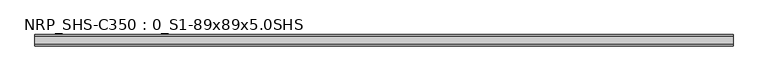
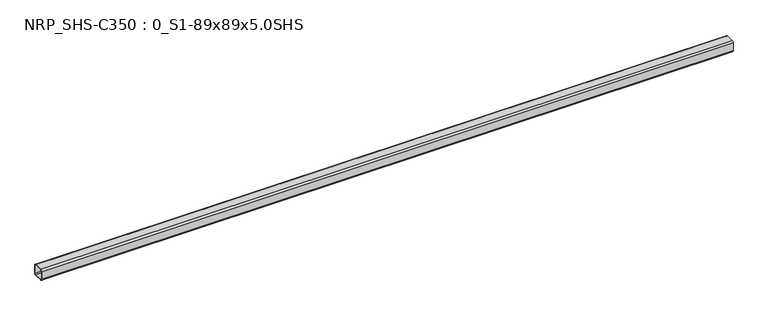
"""IFC4 building model written with IfcOpenShell, lengths in millimetres: beam geometry, NRP_SHS-C350 : 0_S1-89x89x5.0SHS."""

from ifc_helpers import new_model, si_unit, point, frame, frame_2d, origin, place, context, project, spatial, polyline, circle_curve, trimmed, segment, composite_curve, outline, extrude, source, transform, mapped, element, save


def nrp_shs_c350_0_s1_89x89x5_0shs_169dbe12(model_context):
    return source(origin(), model_context, "Body", "SweptSolid", [
        extrude(outline(composite_curve([segment(trimmed(circle_curve(frame_2d((-32.0, 32.0)), 12.5), [point((-44.5, 32.0))], [point((-32.0, 44.5))], False, "CARTESIAN"), True, "CONTINUOUS"), segment(polyline([(-32.0, 44.5), (32.0, 44.5)]), True, "CONTINUOUS"), segment(trimmed(circle_curve(frame_2d((32.0, 32.0)), 12.5), [point((32.0, 44.5))], [point((44.5, 32.0))], False, "CARTESIAN"), True, "CONTINUOUS"), segment(polyline([(44.5, 32.0), (44.5, -32.0)]), True, "CONTINUOUS"), segment(trimmed(circle_curve(frame_2d((32.0, -32.0)), 12.5), [point((44.5, -32.0))], [point((32.0, -44.5))], False, "CARTESIAN"), True, "CONTINUOUS"), segment(polyline([(32.0, -44.5), (-32.0, -44.5)]), True, "CONTINUOUS"), segment(trimmed(circle_curve(frame_2d((-32.0, -32.0)), 12.5), [point((-32.0, -44.5))], [point((-44.5, -32.0))], False, "CARTESIAN"), True, "CONTINUOUS"), segment(polyline([(-44.5, -32.0), (-44.5, 32.0)]), True, "CONTINUOUS")], self_intersect=False), holes=[composite_curve([segment(polyline([(32.0, 39.5), (-32.0, 39.5)]), True, "CONTINUOUS"), segment(trimmed(circle_curve(frame_2d((-32.0, 32.0)), 7.5), [point((-32.0, 39.5))], [point((-39.5, 32.0))], True, "CARTESIAN"), True, "CONTINUOUS"), segment(polyline([(-39.5, 32.0), (-39.5, -32.0)]), True, "CONTINUOUS"), segment(trimmed(circle_curve(frame_2d((-32.0, -32.0)), 7.5), [point((-39.5, -32.0))], [point((-32.0, -39.5))], True, "CARTESIAN"), True, "CONTINUOUS"), segment(polyline([(-32.0, -39.5), (32.0, -39.5)]), True, "CONTINUOUS"), segment(trimmed(circle_curve(frame_2d((32.0, -32.0)), 7.5), [point((32.0, -39.5))], [point((39.5, -32.0))], True, "CARTESIAN"), True, "CONTINUOUS"), segment(polyline([(39.5, -32.0), (39.5, 32.0)]), True, "CONTINUOUS"), segment(trimmed(circle_curve(frame_2d((32.0, 32.0)), 7.5), [point((39.5, 32.0))], [point((32.0, 39.5))], True, "CARTESIAN"), True, "CONTINUOUS")], self_intersect=False)]), frame((-2666.0, 0.0, 0.0), z_axis=(1.0, 0.0, 0.0), x_axis=(0.0, 1.0, 0.0)), (0.0, 0.0, 1.0), 5388.0),
    ])


if __name__ == "__main__":
    model = new_model("IFC4")
    model_context = context("Model", 3, world=origin())
    ifc_project = project(units=[si_unit("LENGTHUNIT", "METRE", prefix="MILLI")], contexts=[model_context])
    site = spatial("IfcSite", under=ifc_project)
    building = spatial("IfcBuilding", under=site)
    placement = place(None, origin())
    nrp_shs_c350_0_s1_89x89x5_0shs_shape = nrp_shs_c350_0_s1_89x89x5_0shs_169dbe12(model_context)
    element("IfcBeam", 1, ObjectType="NRP_SHS-C350 : 0_S1-89x89x5.0SHS", at=placement, inside=building, context=model_context, shape_type="MappedRepresentation", body=[
        mapped(nrp_shs_c350_0_s1_89x89x5_0shs_shape, transform((0.0, 0.0, 0.0), x_axis=(1.0, 0.0, 0.0), y_axis=(0.0, 1.0, 0.0), z_axis=(0.0, 0.0, 1.0))),
    ])
    save(model, "model.ifc")
